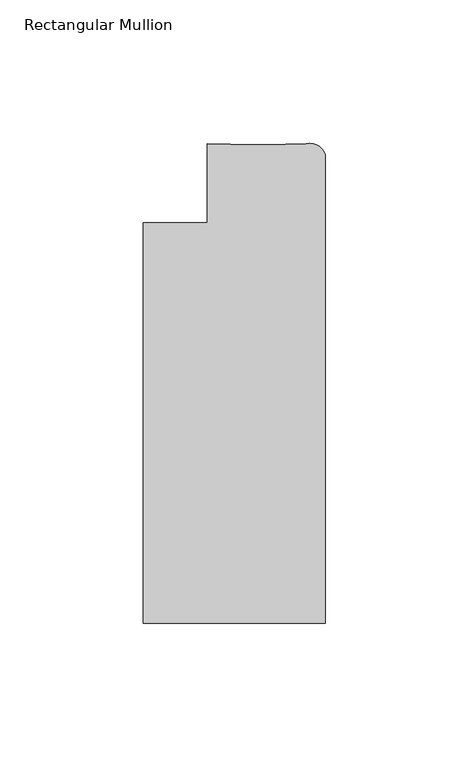
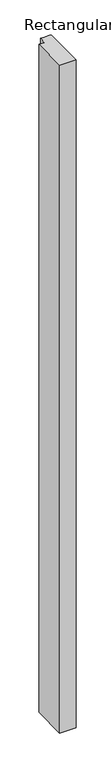
"""IFC4 building model written with IfcOpenShell, lengths in millimetres: member geometry, Rectangular Mullion."""

from ifc_helpers import new_model, si_unit, point, frame, frame_2d, origin, place, context, project, spatial, polyline, circle_curve, trimmed, segment, composite_curve, outline, extrude, source, transform, mapped, element, save


def rectangular_mullion_b9a695b1(model_context):
    return source(origin(), model_context, "Body", "SweptSolid", [
        extrude(outline(composite_curve([segment(polyline([(-63.5, -139.6929896), (-63.5, 0.0070054), (-41.2794957, 0.0070054), (-41.2794957, 27.5669145), (-24.990061, 27.1215126), (-21.1935714, 27.1215126), (-6.6765587, 27.5549516)]), True, "CONTINUOUS"), segment(trimmed(circle_curve(frame_2d((-5.5577367, 21.727811)), 5.9335766), [point((-6.6765587, 27.5549516))], [point((0.0, 23.8060059))], False, "CARTESIAN"), True, "CONTINUOUS"), segment(polyline([(0.0, 23.8060059), (0.0, -139.6929896), (-63.5, -139.6929896)]), True, "CONTINUOUS")], self_intersect=False)), frame((0.0, 0.0, -2743.2), z_axis=(0.0, 0.0, 1.0), x_axis=(1.0, 0.0, 0.0)), (0.0, 0.0, 1.0), 2743.2),
    ])


if __name__ == "__main__":
    model = new_model("IFC4")
    model_context = context("Model", 3, world=origin())
    ifc_project = project(units=[si_unit("LENGTHUNIT", "METRE", prefix="MILLI")], contexts=[model_context])
    site = spatial("IfcSite", under=ifc_project)
    building = spatial("IfcBuilding", under=site)
    placement = place(None, origin())
    rectangular_mullion_shape = rectangular_mullion_b9a695b1(model_context)
    element("IfcMember", 1, ObjectType="Rectangular Mullion", at=placement, inside=building, context=model_context, shape_type="MappedRepresentation", body=[
        mapped(rectangular_mullion_shape, transform((0.0, 0.0, 0.0), x_axis=(1.0, 0.0, 0.0), y_axis=(0.0, 1.0, 0.0), z_axis=(0.0, 0.0, 1.0))),
    ])
    save(model, "model.ifc")
